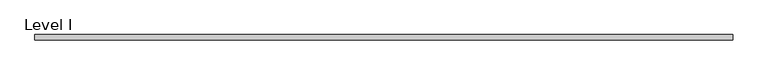
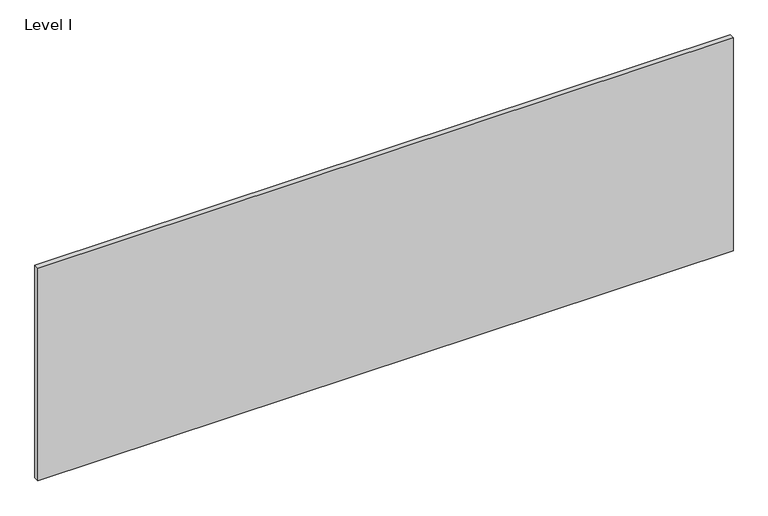
"""IFC4 building model written with IfcOpenShell, lengths in millimetres: proxy geometry, Level I."""

from ifc_helpers import new_model, si_unit, frame, origin, place, context, project, spatial, polyline, outline, extrude, source, transform, mapped, element, save


def level_i_c2499e2a(model_context):
    return source(origin(), model_context, "Body", "SweptSolid", [
        extrude(outline(polyline([(1252.8407125, 9.525), (1252.8407125, -9.525), (-1252.8407125, -9.525), (-1252.8407125, 9.525), (1252.8407125, 9.525)])), frame((0.0, 0.0, 3.175), z_axis=(0.0, 0.0, 1.0), x_axis=(1.0, 0.0, 0.0)), (0.0, 0.0, 1.0), 810.768),
    ])


if __name__ == "__main__":
    model = new_model("IFC4")
    model_context = context("Model", 3, world=origin())
    ifc_project = project(units=[si_unit("LENGTHUNIT", "METRE", prefix="MILLI")], contexts=[model_context])
    site = spatial("IfcSite", under=ifc_project)
    building = spatial("IfcBuilding", under=site)
    placement = place(None, origin())
    level_i_shape = level_i_c2499e2a(model_context)
    element("IfcBuildingElementProxy", 1, Name="Level I", ObjectType="Level I", at=placement, inside=building, context=model_context, shape_type="MappedRepresentation", body=[
        mapped(level_i_shape, transform((0.0, 0.0, 0.0), x_axis=(1.0, 0.0, 0.0), y_axis=(0.0, 1.0, 0.0), z_axis=(0.0, 0.0, 1.0))),
    ])
    save(model, "model.ifc")
